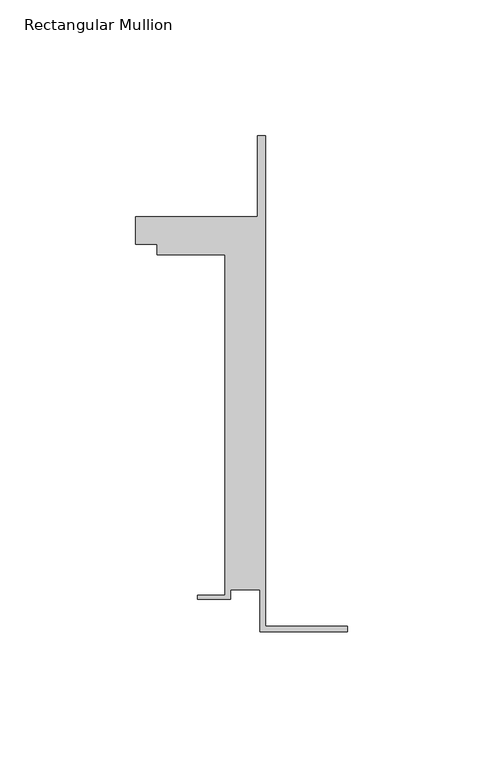
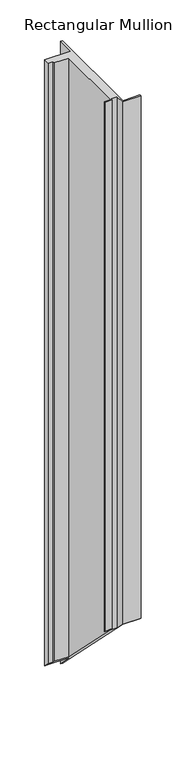
"""IFC4 building model written with IfcOpenShell, lengths in millimetres: member geometry, Rectangular Mullion."""

from ifc_helpers import new_model, si_unit, origin, place, context, project, spatial, faceted_brep, source, transform, mapped, element, save


def rectangular_mullion_5d5da396(model_context):
    return source(origin(), model_context, "Body", "Brep", [
        faceted_brep([(-32.1465839, -41.25, 0.0), (0.0, -41.25, 0.0), (0.0, -39.25, 0.0), (-30.1465839, -39.25, 0.0), (-30.1465839, 141.75, 0.0), (-33.1466122, 141.75, 0.0), (-33.1466122, 111.75, 0.0), (-78.1466122, 111.75, 0.0), (-78.1466122, 101.75, 0.0), (-70.1466122, 101.75, 0.0), (-70.1466122, 97.75, 0.0), (-45.1465839, 97.75, 0.0), (-45.1465839, -27.75, 0.0), (-55.1465839, -27.75, 0.0), (-55.1465839, -29.25, 0.0), (-43.1465839, -29.25, 0.0), (-43.1465839, -25.75, 0.0), (-32.1465839, -25.75, 0.0), (-32.1465839, -41.25, -955.5971444), (0.0, -41.25, -955.5971444), (0.0, -39.25, -957.5971444), (-30.1465839, -39.25, -957.5971444), (-30.1465839, 141.75, -1138.5971444), (-33.1466122, 141.75, -1138.5971444), (-33.1466122, 111.75, -1108.5971444), (-78.1466122, 111.75, -1108.5971444), (-78.1466122, 101.75, -1098.5971444), (-70.1466122, 101.75, -1098.5971444), (-70.1466122, 97.75, -1094.5971444), (-45.1465839, 97.75, -1094.5971444), (-45.1465839, -27.75, -969.0971444), (-55.1465839, -27.75, -969.0971444), (-55.1465839, -29.25, -967.5971444), (-43.1465839, -29.25, -967.5971444), (-43.1465839, -25.75, -971.0971444), (-32.1465839, -25.75, -971.0971444)], [[[0, 1, 2, 3, 4, 5, 6, 7, 8, 9, 10, 11, 12, 13, 14, 15, 16, 17]], [[1, 0, 18, 19]], [[2, 1, 19, 20]], [[3, 2, 20, 21]], [[4, 3, 21, 22]], [[5, 4, 22, 23]], [[6, 5, 23, 24]], [[7, 6, 24, 25]], [[8, 7, 25, 26]], [[9, 8, 26, 27]], [[10, 9, 27, 28]], [[11, 10, 28, 29]], [[12, 11, 29, 30]], [[13, 12, 30, 31]], [[14, 13, 31, 32]], [[15, 14, 32, 33]], [[16, 15, 33, 34]], [[17, 16, 34, 35]], [[0, 17, 35, 18]], [[18, 35, 34, 33, 32, 31, 30, 29, 28, 27, 26, 25, 24, 23, 22, 21, 20, 19]]]),
    ])


if __name__ == "__main__":
    model = new_model("IFC4")
    model_context = context("Model", 3, world=origin())
    ifc_project = project(units=[si_unit("LENGTHUNIT", "METRE", prefix="MILLI")], contexts=[model_context])
    site = spatial("IfcSite", under=ifc_project)
    building = spatial("IfcBuilding", under=site)
    placement = place(None, origin())
    rectangular_mullion_shape = rectangular_mullion_5d5da396(model_context)
    element("IfcMember", 1, ObjectType="Rectangular Mullion", at=placement, inside=building, context=model_context, shape_type="MappedRepresentation", body=[
        mapped(rectangular_mullion_shape, transform((0.0, 0.0, 0.0), x_axis=(1.0, 0.0, 0.0), y_axis=(0.0, 1.0, 0.0), z_axis=(0.0, 0.0, 1.0))),
    ])
    save(model, "model.ifc")
